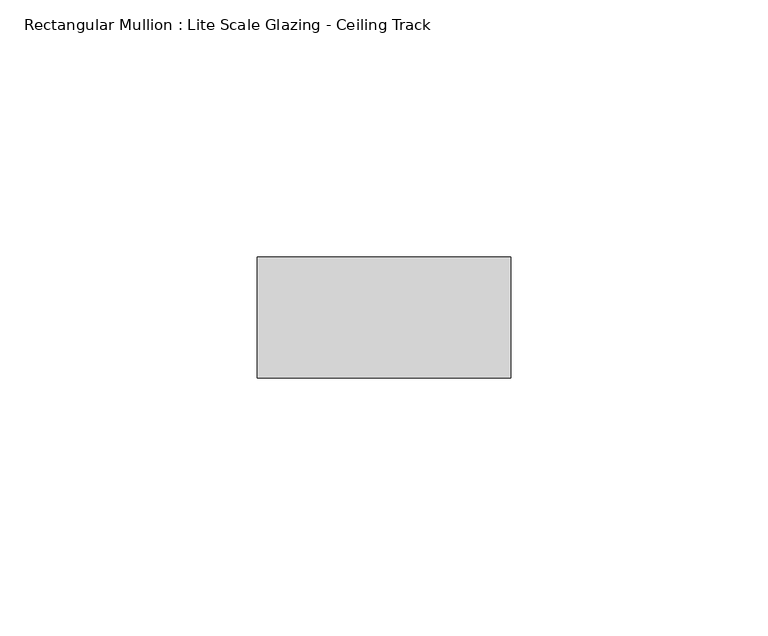
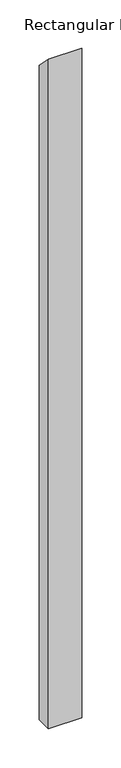
"""IFC4 building model written with IfcOpenShell, lengths in millimetres: member geometry, Rectangular Mullion : Lite Scale Glazing - Ceiling Track."""

from ifc_helpers import new_model, si_unit, frame, origin, place, context, project, spatial, polyline, outline, extrude, source, transform, mapped, element, save


def rectangular_mullion_lite_scale_glazing_ceiling_track_e5e82f54(model_context):
    return source(origin(), model_context, "Body", "SweptSolid", [
        extrude(outline(polyline([(-11.7474999, 11.7474999), (11.7474999, -11.7474999), (11.7474999, -1035.05), (-11.7474999, -1035.05), (-11.7474999, 11.7474999)])), frame((-49.276, 0.0, 0.0), z_axis=(1.0, 0.0, 0.0), x_axis=(0.0, 1.0, 0.0)), (0.0, 0.0, 1.0), 49.276),
    ])


if __name__ == "__main__":
    model = new_model("IFC4")
    model_context = context("Model", 3, world=origin())
    ifc_project = project(units=[si_unit("LENGTHUNIT", "METRE", prefix="MILLI")], contexts=[model_context])
    site = spatial("IfcSite", under=ifc_project)
    building = spatial("IfcBuilding", under=site)
    placement = place(None, origin())
    rectangular_mullion_lite_scale_glazing_ceiling_track_shape = rectangular_mullion_lite_scale_glazing_ceiling_track_e5e82f54(model_context)
    element("IfcMember", 1, ObjectType="Rectangular Mullion : Lite Scale Glazing - Ceiling Track", at=placement, inside=building, context=model_context, shape_type="MappedRepresentation", body=[
        mapped(rectangular_mullion_lite_scale_glazing_ceiling_track_shape, transform((0.0, 0.0, 0.0), x_axis=(1.0, 0.0, 0.0), y_axis=(0.0, 1.0, 0.0), z_axis=(0.0, 0.0, 1.0))),
    ])
    save(model, "model.ifc")
